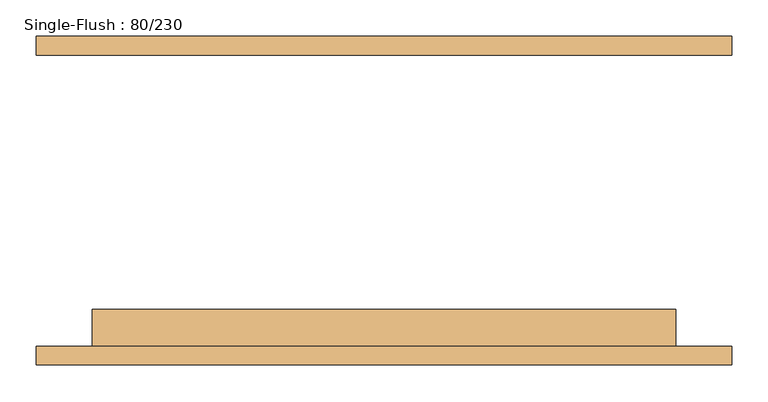
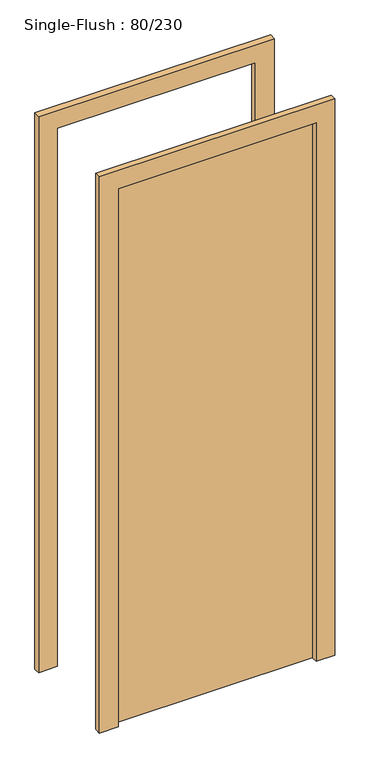
"""IFC4 building model written with IfcOpenShell, lengths in millimetres: door geometry, Single-Flush : 80/230."""

import ifcopenshell
import ifcopenshell.guid

model = None  # the IFC model being written
_history = None  # IfcOwnerHistory: only IFC2X3 demands one
_inside = {}  # id of a spatial element -> (the spatial element, [elements in it])
_under = {}  # id of a project, library or spatial element -> (it, [spatial elements below it])
_declared = {}  # id of a project -> (the project, [libraries it declares])
_typed = {}  # id of a type object -> (the type object, [elements of that type])
_made_of = {}  # id of a material, layer set ... -> (it, [elements and type objects made of it])


def new_model(schema):
    """Start an empty IFC model of exactly this schema.

    Asked for "IFC4X3", IfcOpenShell would pick the latest addendum, in which some entities
    have other attributes; the version numbers below select the first issue.
    IFC2X3 requires an IfcOwnerHistory on every rooted entity: one is made here for all.
    """
    global model, _history
    if schema == "IFC4X3":
        model = ifcopenshell.file(schema_version=(4, 3, 0, 0))
    else:
        model = ifcopenshell.file(schema=schema)
    _inside.clear()
    _under.clear()
    _declared.clear()
    _typed.clear()
    _made_of.clear()
    _history = None
    if model.schema == "IFC2X3":
        org = make("IfcOrganization", Name="unknown")
        user = make(
            "IfcPersonAndOrganization",
            ThePerson=make("IfcPerson", FamilyName="unknown"),
            TheOrganization=org,
        )
        app = make(
            "IfcApplication",
            ApplicationDeveloper=org,
            Version="unknown",
            ApplicationFullName="unknown",
            ApplicationIdentifier="unknown",
        )
        _history = make(
            "IfcOwnerHistory",
            OwningUser=user,
            OwningApplication=app,
            ChangeAction="ADDED",
            CreationDate=0,
        )
    return model


def make(cls, **values):
    """One entity of the class cls with the attributes given. An attribute that is None is left unset."""
    return model.create_entity(
        cls, **{name: value for name, value in values.items() if value is not None}
    )


def rooted(cls, **values):
    """An entity with a GlobalId (a new one), such as an element, a storey or a relation."""
    return make(cls, GlobalId=ifcopenshell.guid.new(), OwnerHistory=_history, **values)


def si_unit(unit_type, name, prefix=None):
    """IfcSIUnit, for example si_unit("LENGTHUNIT", "METRE", prefix="MILLI")."""
    return make("IfcSIUnit", UnitType=unit_type, Prefix=prefix, Name=name)


def assignment(units):
    """IfcUnitAssignment: the units of a project."""
    return None if units is None else make("IfcUnitAssignment", Units=units)


def point(xyz):
    """IfcCartesianPoint."""
    return None if xyz is None else make("IfcCartesianPoint", Coordinates=xyz)


def direction(xyz):
    """IfcDirection."""
    return None if xyz is None else make("IfcDirection", DirectionRatios=xyz)


def frame(location, z_axis=None, x_axis=None):
    """IfcAxis2Placement3D, a coordinate frame: its origin and axes. An axis left out is left unset."""
    return make(
        "IfcAxis2Placement3D",
        Location=point(location),
        Axis=direction(z_axis),
        RefDirection=direction(x_axis),
    )


def origin():
    """The frame at (0, 0, 0) with its axes left unset."""
    return frame((0.0, 0.0, 0.0))


def origin_with_axes():
    """The frame at (0, 0, 0) with the z axis (0, 0, 1) and the x axis (1, 0, 0) written out."""
    return frame((0.0, 0.0, 0.0), z_axis=(0.0, 0.0, 1.0), x_axis=(1.0, 0.0, 0.0))


def place(relative_to, where):
    """IfcLocalPlacement: puts the frame where relative to a parent placement (None: the world)."""
    return make(
        "IfcLocalPlacement", PlacementRelTo=relative_to, RelativePlacement=where
    )


def context(
    kind, dimensions, precision=None, world=None, true_north=None, identifier=None
):
    """IfcGeometricRepresentationContext, for example the 3D "Model" context."""
    return make(
        "IfcGeometricRepresentationContext",
        ContextIdentifier=identifier,
        ContextType=kind,
        CoordinateSpaceDimension=dimensions,
        Precision=precision,
        WorldCoordinateSystem=world,
        TrueNorth=true_north,
    )


def project(units=None, contexts=None):
    """IfcProject with its units and contexts."""
    return rooted(
        "IfcProject",
        Name="project",
        RepresentationContexts=contexts,
        UnitsInContext=assignment(units),
    )


def spatial(cls, under=None, at=None, **own):
    """A site, building, storey or space (cls), placed at a placement, below another one or the project."""
    s = rooted(cls, ObjectPlacement=at, **own)
    if under is not None:
        _under.setdefault(under.id(), (under, []))[1].append(s)
    return s


def polyline(points):
    """IfcPolyline through the points."""
    return make("IfcPolyline", Points=[point(p) for p in points])


def outline(outer, holes=None, kind="AREA"):
    """IfcArbitraryClosedProfileDef: a profile drawn as a closed curve; with holes, ...WithVoids."""
    if holes is None:
        return make("IfcArbitraryClosedProfileDef", ProfileType=kind, OuterCurve=outer)
    return make(
        "IfcArbitraryProfileDefWithVoids",
        ProfileType=kind,
        OuterCurve=outer,
        InnerCurves=holes,
    )


def extrude(swept, where, along, depth):
    """IfcExtrudedAreaSolid: the profile swept, set in the frame where, extruded along a direction by depth."""
    return make(
        "IfcExtrudedAreaSolid",
        SweptArea=swept,
        Position=where,
        ExtrudedDirection=direction(along),
        Depth=depth,
    )


def shape(context_of_items, identifier, shape_type, items):
    """IfcShapeRepresentation: the items that make up one representation, for example the "Body"."""
    return make(
        "IfcShapeRepresentation",
        ContextOfItems=context_of_items,
        RepresentationIdentifier=identifier,
        RepresentationType=shape_type,
        Items=items,
    )


def source(mapping_origin, context_of_items, identifier, shape_type, items):
    """IfcRepresentationMap: a shape defined once, which mapped items show again and again."""
    return make(
        "IfcRepresentationMap",
        MappingOrigin=mapping_origin,
        MappedRepresentation=shape(context_of_items, identifier, shape_type, items),
    )


def transform(
    local_origin,
    x_axis=None,
    y_axis=None,
    z_axis=None,
    scale=None,
    scale2=None,
    scale3=None,
    uniform=True,
):
    """IfcCartesianTransformationOperator3D, or its non-uniform kind. x_axis, y_axis, z_axis: its Axis1, 2, 3."""
    if uniform:
        return make(
            "IfcCartesianTransformationOperator3D",
            Axis1=direction(x_axis),
            Axis2=direction(y_axis),
            LocalOrigin=point(local_origin),
            Scale=scale,
            Axis3=direction(z_axis),
        )
    return make(
        "IfcCartesianTransformationOperator3DnonUniform",
        Axis1=direction(x_axis),
        Axis2=direction(y_axis),
        LocalOrigin=point(local_origin),
        Scale=scale,
        Axis3=direction(z_axis),
        Scale2=scale2,
        Scale3=scale3,
    )


def mapped(mapping_source, mapping_target):
    """IfcMappedItem: shows the shape of a source again, moved by a transform."""
    return make(
        "IfcMappedItem", MappingSource=mapping_source, MappingTarget=mapping_target
    )


def made_of(thing, what):
    """Note that an element or type object is made of a material, layer set ...; save() writes the relation."""
    if what is not None:
        _made_of.setdefault(what.id(), (what, []))[1].append(thing)
    return thing


def element(
    cls,
    number,
    at=None,
    inside=None,
    cuts=None,
    type_object=None,
    material=None,
    context=None,
    identifier="Body",
    shape_type=None,
    held_by="IfcProductDefinitionShape",
    body=None,
    shapes=None,
    **own,
):
    """One element of the class cls, such as IfcWall. Its Tag is "e" and its number.

    at: its placement. inside: the storey or other place that contains it. cuts: it is an
    opening in that element (IfcRelVoidsElement). A single representation is given by context,
    identifier, shape_type and body (its items); several are given by shapes. held_by: the class
    of the entity that holds the representations. save() writes the other relations.
    """
    e = rooted(cls, Tag="e%d" % number, ObjectPlacement=at, **own)
    if body is not None:
        shapes = [shape(context, identifier, shape_type, body)]
    if shapes is not None:
        e.Representation = make(held_by, Representations=shapes)
    if inside is not None:
        _inside.setdefault(inside.id(), (inside, []))[1].append(e)
    if cuts is not None:
        rooted(
            "IfcRelVoidsElement", RelatingBuildingElement=cuts, RelatedOpeningElement=e
        )
    if type_object is not None:
        _typed.setdefault(type_object.id(), (type_object, []))[1].append(e)
    return made_of(e, material)


def aggregate(whole, parts):
    """IfcRelAggregates: a whole, such as a stair, and the parts it consists of."""
    return rooted("IfcRelAggregates", RelatingObject=whole, RelatedObjects=parts)


def save(model, path):
    """Write the relations noted so far, then the file.

    IfcRelAggregates (storeys below a building ...), IfcRelContainedInSpatialStructure (elements
    in a storey), IfcRelDefinesByType, IfcRelAssociatesMaterial and IfcRelDeclares: one each for
    every whole, place, type object, material and project.
    """
    for whole, parts in _under.values():
        aggregate(whole, parts)
    for where, things in _inside.values():
        rooted(
            "IfcRelContainedInSpatialStructure",
            RelatedElements=things,
            RelatingStructure=where,
        )
    for kind, things in _typed.values():
        rooted("IfcRelDefinesByType", RelatedObjects=things, RelatingType=kind)
    for what, things in _made_of.values():
        rooted("IfcRelAssociatesMaterial", RelatedObjects=things, RelatingMaterial=what)
    for by, libraries in _declared.values():
        rooted("IfcRelDeclares", RelatingContext=by, RelatedDefinitions=libraries)
    model.write(path)


def single_flush_80_230_c2c828d9(model_context):
    return source(origin(), model_context, "Body", "SweptSolid", [
        extrude(outline(polyline([(2376.2, -476.2), (0.0, -476.2), (0.0, -400.0), (2300.0, -400.0), (2300.0, 400.0), (0.0, 400.0), (0.0, 476.2), (2376.2, 476.2), (2376.2, -476.2)])), frame((0.0, -225.4, 0.0), z_axis=(0.0, 1.0, 0.0), x_axis=(0.0, 0.0, 1.0)), (0.0, 0.0, 1.0), 25.4),
        extrude(outline(polyline([(2376.2, 476.2), (2376.2, -476.2), (0.0, -476.2), (0.0, -400.0), (2300.0, -400.0), (2300.0, 400.0), (0.0, 400.0), (0.0, 476.2), (2376.2, 476.2)])), frame((0.0, 200.0, 0.0), z_axis=(0.0, 1.0, 0.0), x_axis=(0.0, 0.0, 1.0)), (0.0, 0.0, 1.0), 25.4),
        extrude(outline(polyline([(400.0, -149.2), (400.0, -200.0), (-400.0, -200.0), (-400.0, -149.2), (400.0, -149.2)])), origin_with_axes(), (0.0, 0.0, 1.0), 2300.0),
    ])


if __name__ == "__main__":
    model = new_model("IFC4")
    model_context = context("Model", 3, world=origin())
    ifc_project = project(units=[si_unit("LENGTHUNIT", "METRE", prefix="MILLI")], contexts=[model_context])
    site = spatial("IfcSite", under=ifc_project)
    building = spatial("IfcBuilding", under=site)
    placement = place(None, origin())
    single_flush_80_230_shape = single_flush_80_230_c2c828d9(model_context)
    element("IfcDoor", 1, ObjectType="Single-Flush : 80/230", at=placement, inside=building, context=model_context, shape_type="MappedRepresentation", body=[
        mapped(single_flush_80_230_shape, transform((0.0, 0.0, 0.0), x_axis=(1.0, 0.0, 0.0), y_axis=(0.0, 1.0, 0.0), z_axis=(0.0, 0.0, 1.0))),
    ])
    save(model, "model.ifc")
